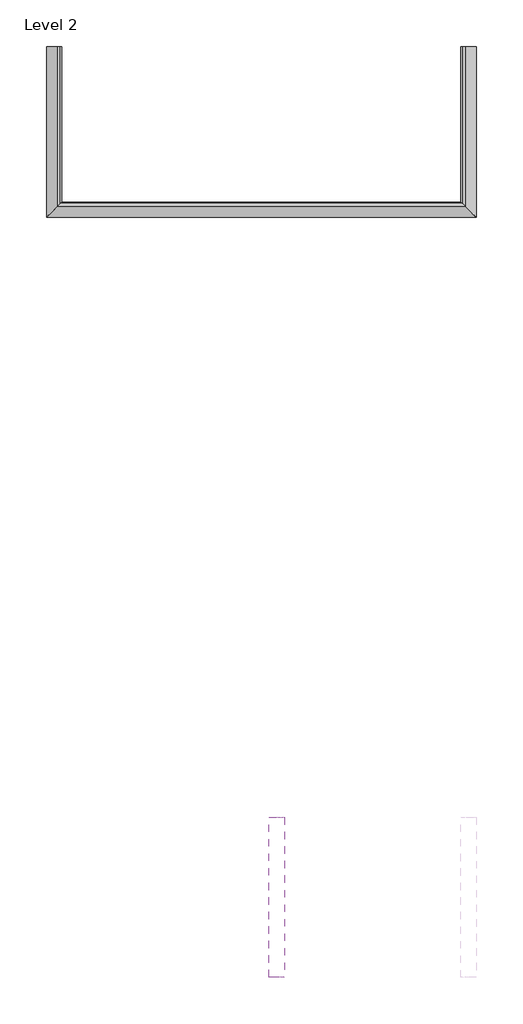
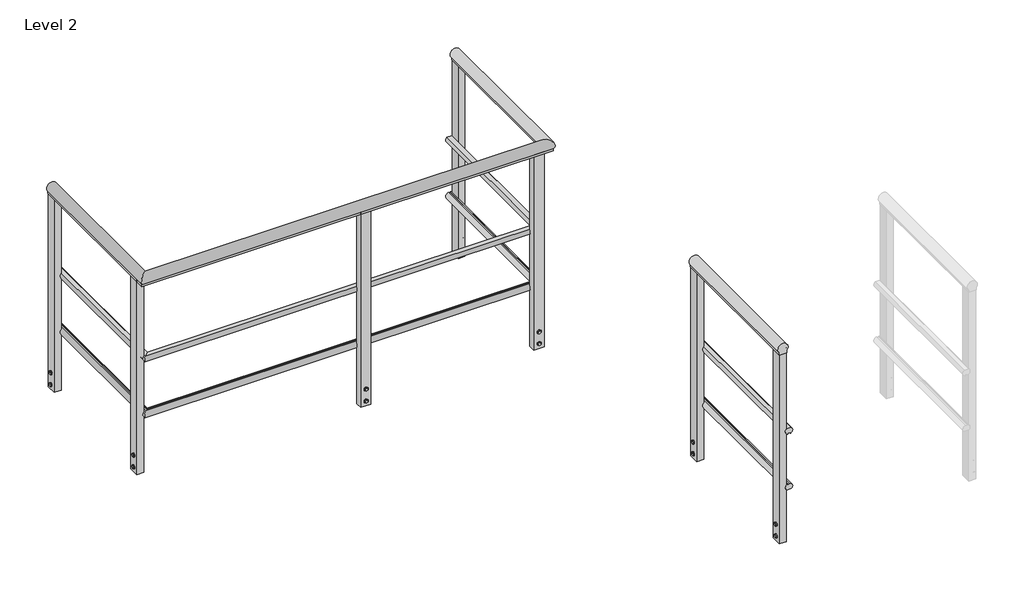
# One storey, part 1 of 7: 2 railings.
"""IFC4 building model written with IfcOpenShell, lengths in millimetres."""

from ifc_helpers import new_model, si_unit, point, frame, frame_2d, origin, place, context, project, spatial, polyline, circle_curve, ellipse_curve, trimmed, segment, composite_curve, outline, extrude, element, save
from ifc_brep_helpers import plane_surface, cylinder_surface, advanced_brep

model = new_model("IFC4")

# Units and contexts
model_context = context("Model", 3, world=origin())
ifc_project = project(units=[si_unit("LENGTHUNIT", "METRE", prefix="MILLI")], contexts=[model_context])

# Site, building, storey
site = spatial("IfcSite", under=ifc_project)
building = spatial("IfcBuilding", under=site)
storey = spatial("IfcBuildingStorey", under=building, Name="Level 2", Elevation=4000.0)

# Railings
placement = place(None, origin())
element("IfcRailing", 1, ObjectType="MT_Common stair with Handrail_Level 3", at=placement, inside=storey, context=model_context, shape_type="SolidModel", body=[
    advanced_brep(
    [(-17568.4412923, -5098.2332568, 5032.5704381), (-17526.7412923, -5098.2332568, 5032.5704381), (-17526.7412923, -5098.2332568, 5019.7647059), (-17568.4412923, -5098.2332568, 5019.7647059), (-17568.4412923, -6008.1730242, 5032.5704381), (-17526.7412923, -5966.4730242, 5032.5704381), (-17526.7412923, -5966.4730242, 5019.7647059), (-17568.4412923, -6008.1730242, 5019.7647059), (-15273.5617574, -6008.1730242, 5032.5704381), (-15315.2617574, -5966.4730242, 5032.5704381), (-15315.2617574, -5966.4730242, 5019.7647059), (-15273.5617574, -6008.1730242, 5019.7647059), (-15273.5617574, -5098.2332568, 5032.5704381), (-15273.5617574, -5098.2332568, 5019.7647059), (-15315.2617574, -5098.2332568, 5019.7647059), (-15315.2617574, -5098.2332568, 5032.5704381)],
    [
        (0, 1, circle_curve(frame((-17547.5912923, -5098.2332568, 5051.7647059), z_axis=(0.0, 1.0, 0.0), x_axis=(1.0, 0.0, 0.0)), 28.3397674)),
        (1, 2),
        (2, 3),
        (3, 0),
        (0, 4),
        (4, 5, ellipse_curve(frame((-17547.5912923, -5987.3230242, 5051.7647059), z_axis=(-0.707106781186546, 0.7071067811865489, 0.0), x_axis=(0.7071067811865488, 0.7071067811865461, 0.0)), 40.0784834, 28.3397674)),
        (5, 1),
        (5, 6),
        (6, 2),
        (6, 7),
        (7, 3),
        (7, 4),
        (4, 8),
        (8, 9, ellipse_curve(frame((-15294.4117574, -5987.3230242, 5051.7647059), z_axis=(-0.7071067811865495, -0.7071067811865455, 0.0), x_axis=(-0.7071067811865456, 0.7071067811865493, 0.0)), 40.0784834, 28.3397674)),
        (9, 5),
        (9, 10),
        (10, 6),
        (10, 11),
        (11, 7),
        (11, 8),
        (12, 13),
        (13, 14),
        (14, 15),
        (15, 12, circle_curve(frame((-15294.4117574, -5098.2332568, 5051.7647059), z_axis=(0.0, 1.0, 0.0), x_axis=(-1.0, 0.0, 0.0)), 28.3397674)),
        (8, 12),
        (15, 9),
        (14, 10),
        (13, 11),
    ],
    [
        plane_surface(frame((-17547.5912923, -5098.2332568, 5019.7647059), z_axis=(0.0, 1.0, 0.0), x_axis=(0.0, 0.0, -1.0))),
        cylinder_surface(frame((-17547.5912923, -5098.2332568, 5051.7647059), z_axis=(0.0, 1.0, 0.0), x_axis=(1.0, 0.0, 0.0)), 28.3397674),
        plane_surface(frame((-17526.7412923, -5098.2332568, 5032.5704381), z_axis=(1.0, 0.0, 0.0), x_axis=(0.0, -1.0, 0.0))),
        plane_surface(frame((-17526.7412923, -5098.2332568, 5019.7647059), z_axis=(0.0, 0.0, -1.0), x_axis=(0.0, -1.0, 0.0))),
        plane_surface(frame((-17568.4412923, -5098.2332568, 5019.7647059), z_axis=(-1.0, 0.0, 0.0), x_axis=(0.0, -1.0, 0.0))),
        cylinder_surface(frame((-17547.5912923, -5987.3230242, 5051.7647059), z_axis=(-1.0, 0.0, 0.0), x_axis=(0.0, 1.0, 0.0)), 28.3397674),
        plane_surface(frame((-17526.7412923, -5966.4730242, 5032.5704381), z_axis=(0.0, 1.0, 0.0), x_axis=(1.0, 0.0, 0.0))),
        plane_surface(frame((-17526.7412923, -5966.4730242, 5019.7647059), z_axis=(0.0, 0.0, -1.0), x_axis=(1.0, 0.0, 0.0))),
        plane_surface(frame((-17568.4412923, -6008.1730242, 5019.7647059), z_axis=(0.0, -1.0, 0.0), x_axis=(1.0, 0.0, 0.0))),
        plane_surface(frame((-15294.4117574, -5098.2332568, 5019.7647059), z_axis=(0.0, 1.0, 0.0), x_axis=(0.0, 0.0, 1.0))),
        cylinder_surface(frame((-15294.4117574, -5987.3230242, 5051.7647059), z_axis=(0.0, -1.0, 0.0), x_axis=(-1.0, 0.0, 0.0)), 28.3397674),
        plane_surface(frame((-15315.2617574, -5966.4730242, 5032.5704381), z_axis=(-1.0, 0.0, 0.0), x_axis=(0.0, 1.0, 0.0))),
        plane_surface(frame((-15315.2617574, -5966.4730242, 5019.7647059), z_axis=(0.0, 0.0, -1.0), x_axis=(0.0, 1.0, 0.0))),
        plane_surface(frame((-15273.5617574, -6008.1730242, 5019.7647059), z_axis=(1.0, 0.0, 0.0), x_axis=(0.0, 1.0, 0.0))),
    ],
    [
        (0, [[1, 2, 3, 4]]),
        (1, [[-1, 5, 6, 7]]),
        (2, [[-2, -7, 8, 9]]),
        (3, [[-3, -9, 10, 11]]),
        (4, [[-4, -11, 12, -5]]),
        (5, [[-6, 13, 14, 15]]),
        (6, [[-8, -15, 16, 17]]),
        (7, [[-10, -17, 18, 19]]),
        (8, [[-12, -19, 20, -13]]),
        (9, [[21, 22, 23, 24]]),
        (10, [[-14, 25, -24, 26]]),
        (11, [[-16, -26, -23, 27]]),
        (12, [[-18, -27, -22, 28]]),
        (13, [[-20, -28, -21, -25]]),
    ],
),
    advanced_brep(
    [(-17508.1751475, -5098.2332568, 4535.8101096), (-17508.1751475, -5098.2332568, 4539.8647059), (-17519.757742, -5098.2332568, 4539.8647059), (-17519.757742, -5098.2332568, 4535.6376007), (-17527.4802814, -5098.2332568, 4569.8647059), (-17501.0227683, -5098.2332568, 4569.8647059), (-17508.1751475, -5947.9068794, 4535.8101096), (-17508.1751475, -5947.9068794, 4539.8647059), (-17519.757742, -5959.489474, 4539.8647059), (-17519.757742, -5959.489474, 4535.6376007), (-17527.4802814, -5967.2120133, 4569.8647059), (-17501.0227683, -5940.7545002, 4569.8647059), (-15333.8279022, -5947.9068794, 4535.8101096), (-15333.8279022, -5947.9068794, 4539.8647059), (-15322.2453076, -5959.489474, 4539.8647059), (-15322.2453076, -5959.489474, 4535.6376007), (-15314.5227683, -5967.2120133, 4569.8647059), (-15340.9802814, -5940.7545002, 4569.8647059), (-15333.8279022, -5098.2332568, 4535.8101096), (-15340.9802814, -5098.2332568, 4569.8647059), (-15314.5227683, -5098.2332568, 4569.8647059), (-15322.2453076, -5098.2332568, 4535.6376007), (-15322.2453076, -5098.2332568, 4539.8647059), (-15333.8279022, -5098.2332568, 4539.8647059)],
    [
        (0, 1),
        (1, 2),
        (2, 3),
        (3, 4, circle_curve(frame((-17514.2515248, -5098.2332568, 4554.8647059), z_axis=(0.0, 1.0, 0.0), x_axis=(0.0, 0.0, 1.0)), 20.0)),
        (4, 5),
        (5, 0, circle_curve(frame((-17514.2515248, -5098.2332568, 4554.8647059), z_axis=(0.0, 1.0, 0.0), x_axis=(0.0, 0.0, 1.0)), 20.0)),
        (0, 6),
        (6, 7),
        (7, 1),
        (7, 8),
        (8, 2),
        (8, 9),
        (9, 3),
        (9, 10, ellipse_curve(frame((-17514.2515248, -5953.9832568, 4554.8647059), z_axis=(-0.707106781186546, 0.7071067811865489, 0.0), x_axis=(0.7071067811865488, 0.7071067811865461, 0.0)), 28.2842712, 20.0)),
        (10, 4),
        (10, 11),
        (11, 5),
        (11, 6, ellipse_curve(frame((-17514.2515248, -5953.9832568, 4554.8647059), z_axis=(-0.707106781186546, 0.7071067811865489, 0.0), x_axis=(0.7071067811865488, 0.7071067811865461, 0.0)), 28.2842712, 20.0)),
        (6, 12),
        (12, 13),
        (13, 7),
        (13, 14),
        (14, 8),
        (14, 15),
        (15, 9),
        (15, 16, ellipse_curve(frame((-15327.7515248, -5953.9832568, 4554.8647059), z_axis=(-0.7071067811865495, -0.7071067811865455, 0.0), x_axis=(-0.7071067811865456, 0.7071067811865493, 0.0)), 28.2842712, 20.0)),
        (16, 10),
        (16, 17),
        (17, 11),
        (17, 12, ellipse_curve(frame((-15327.7515248, -5953.9832568, 4554.8647059), z_axis=(-0.7071067811865495, -0.7071067811865455, 0.0), x_axis=(-0.7071067811865456, 0.7071067811865493, 0.0)), 28.2842712, 20.0)),
        (18, 19, circle_curve(frame((-15327.7515248, -5098.2332568, 4554.8647059), z_axis=(0.0, 1.0, 0.0), x_axis=(0.0, 0.0, 1.0)), 20.0)),
        (19, 20),
        (20, 21, circle_curve(frame((-15327.7515248, -5098.2332568, 4554.8647059), z_axis=(0.0, 1.0, 0.0), x_axis=(0.0, 0.0, 1.0)), 20.0)),
        (21, 22),
        (22, 23),
        (23, 18),
        (12, 18),
        (23, 13),
        (22, 14),
        (21, 15),
        (20, 16),
        (19, 17),
    ],
    [
        plane_surface(frame((-17514.2515248, -5098.2332568, 4554.8647059), z_axis=(0.0, 1.0, 0.0), x_axis=(0.0, 0.0, -1.0))),
        plane_surface(frame((-17508.1751475, -5098.2332568, 4535.8101096), z_axis=(-1.0, 0.0, 0.0), x_axis=(0.0, -1.0, 0.0))),
        plane_surface(frame((-17508.1751475, -5098.2332568, 4539.8647059), z_axis=(0.0, 0.0, -1.0), x_axis=(0.0, -1.0, 0.0))),
        plane_surface(frame((-17519.757742, -5098.2332568, 4539.8647059), z_axis=(1.0, 0.0, 0.0), x_axis=(0.0, -1.0, 0.0))),
        cylinder_surface(frame((-17514.2515248, -5098.2332568, 4554.8647059), z_axis=(0.0, 1.0, 0.0), x_axis=(0.0, 0.0, 1.0)), 20.0),
        plane_surface(frame((-17527.4802814, -5098.2332568, 4569.8647059), z_axis=(0.0, 0.0, 1.0), x_axis=(0.0, -1.0, 0.0))),
        plane_surface(frame((-17508.1751475, -5947.9068794, 4535.8101096), z_axis=(0.0, -1.0, 0.0), x_axis=(1.0, 0.0, 0.0))),
        plane_surface(frame((-17508.1751475, -5947.9068794, 4539.8647059), z_axis=(0.0, 0.0, -1.0), x_axis=(1.0, 0.0, 0.0))),
        plane_surface(frame((-17519.757742, -5959.489474, 4539.8647059), z_axis=(0.0, 1.0, 0.0), x_axis=(1.0, 0.0, 0.0))),
        cylinder_surface(frame((-17514.2515248, -5953.9832568, 4554.8647059), z_axis=(-1.0, 0.0, 0.0), x_axis=(0.0, 0.0, 1.0)), 20.0),
        plane_surface(frame((-17527.4802814, -5967.2120133, 4569.8647059), z_axis=(0.0, 0.0, 1.0), x_axis=(1.0, 0.0, 0.0))),
        plane_surface(frame((-15327.7515248, -5098.2332568, 4554.8647059), z_axis=(0.0, 1.0, 0.0), x_axis=(0.0, 0.0, 1.0))),
        plane_surface(frame((-15333.8279022, -5947.9068794, 4535.8101096), z_axis=(1.0, 0.0, 0.0), x_axis=(0.0, 1.0, 0.0))),
        plane_surface(frame((-15333.8279022, -5947.9068794, 4539.8647059), z_axis=(0.0, 0.0, -1.0), x_axis=(0.0, 1.0, 0.0))),
        plane_surface(frame((-15322.2453076, -5959.489474, 4539.8647059), z_axis=(-1.0, 0.0, 0.0), x_axis=(0.0, 1.0, 0.0))),
        cylinder_surface(frame((-15327.7515248, -5953.9832568, 4554.8647059), z_axis=(0.0, -1.0, 0.0), x_axis=(0.0, 0.0, 1.0)), 20.0),
        plane_surface(frame((-15314.5227683, -5967.2120133, 4569.8647059), z_axis=(0.0, 0.0, 1.0), x_axis=(0.0, 1.0, 0.0))),
    ],
    [
        (0, [[1, 2, 3, 4, 5, 6]]),
        (1, [[-1, 7, 8, 9]]),
        (2, [[-2, -9, 10, 11]]),
        (3, [[-3, -11, 12, 13]]),
        (4, [[-4, -13, 14, 15]]),
        (5, [[-5, -15, 16, 17]]),
        (4, [[-6, -17, 18, -7]]),
        (6, [[-8, 19, 20, 21]]),
        (7, [[-10, -21, 22, 23]]),
        (8, [[-12, -23, 24, 25]]),
        (9, [[-14, -25, 26, 27]]),
        (10, [[-16, -27, 28, 29]]),
        (9, [[-18, -29, 30, -19]]),
        (11, [[31, 32, 33, 34, 35, 36]]),
        (12, [[-20, 37, -36, 38]]),
        (13, [[-22, -38, -35, 39]]),
        (14, [[-24, -39, -34, 40]]),
        (15, [[-26, -40, -33, 41]]),
        (16, [[-28, -41, -32, 42]]),
        (15, [[-30, -42, -31, -37]]),
    ],
),
    advanced_brep(
    [(-17520.3279022, -5098.2332568, 4242.8193021), (-17520.3279022, -5098.2332568, 4238.7647059), (-17508.7453076, -5098.2332568, 4238.7647059), (-17508.7453076, -5098.2332568, 4242.991811), (-17501.0227683, -5098.2332568, 4208.7647059), (-17527.4802814, -5098.2332568, 4208.7647059), (-17520.3279022, -5960.0596342, 4242.8193021), (-17520.3279022, -5960.0596342, 4238.7647059), (-17508.7453076, -5948.4770396, 4238.7647059), (-17508.7453076, -5948.4770396, 4242.991811), (-17501.0227683, -5940.7545002, 4208.7647059), (-17527.4802814, -5967.2120133, 4208.7647059), (-15321.6751475, -5960.0596342, 4242.8193021), (-15321.6751475, -5960.0596342, 4238.7647059), (-15333.257742, -5948.4770396, 4238.7647059), (-15333.257742, -5948.4770396, 4242.991811), (-15340.9802814, -5940.7545002, 4208.7647059), (-15314.5227683, -5967.2120133, 4208.7647059), (-15321.6751475, -5098.2332568, 4242.8193021), (-15314.5227683, -5098.2332568, 4208.7647059), (-15340.9802814, -5098.2332568, 4208.7647059), (-15333.257742, -5098.2332568, 4242.991811), (-15333.257742, -5098.2332568, 4238.7647059), (-15321.6751475, -5098.2332568, 4238.7647059)],
    [
        (0, 1),
        (1, 2),
        (2, 3),
        (3, 4, circle_curve(frame((-17514.2515248, -5098.2332568, 4223.7647059), z_axis=(0.0, 1.0, 0.0), x_axis=(0.0, 0.0, -1.0)), 20.0)),
        (4, 5),
        (5, 0, circle_curve(frame((-17514.2515248, -5098.2332568, 4223.7647059), z_axis=(0.0, 1.0, 0.0), x_axis=(0.0, 0.0, -1.0)), 20.0)),
        (0, 6),
        (6, 7),
        (7, 1),
        (7, 8),
        (8, 2),
        (8, 9),
        (9, 3),
        (9, 10, ellipse_curve(frame((-17514.2515248, -5953.9832568, 4223.7647059), z_axis=(-0.707106781186546, 0.7071067811865489, 0.0), x_axis=(0.7071067811865488, 0.7071067811865461, 0.0)), 28.2842712, 20.0)),
        (10, 4),
        (10, 11),
        (11, 5),
        (11, 6, ellipse_curve(frame((-17514.2515248, -5953.9832568, 4223.7647059), z_axis=(-0.707106781186546, 0.7071067811865489, 0.0), x_axis=(0.7071067811865488, 0.7071067811865461, 0.0)), 28.2842712, 20.0)),
        (6, 12),
        (12, 13),
        (13, 7),
        (13, 14),
        (14, 8),
        (14, 15),
        (15, 9),
        (15, 16, ellipse_curve(frame((-15327.7515248, -5953.9832568, 4223.7647059), z_axis=(-0.7071067811865495, -0.7071067811865455, 0.0), x_axis=(-0.7071067811865456, 0.7071067811865493, 0.0)), 28.2842712, 20.0)),
        (16, 10),
        (16, 17),
        (17, 11),
        (17, 12, ellipse_curve(frame((-15327.7515248, -5953.9832568, 4223.7647059), z_axis=(-0.7071067811865495, -0.7071067811865455, 0.0), x_axis=(-0.7071067811865456, 0.7071067811865493, 0.0)), 28.2842712, 20.0)),
        (18, 19, circle_curve(frame((-15327.7515248, -5098.2332568, 4223.7647059), z_axis=(0.0, 1.0, 0.0), x_axis=(0.0, 0.0, -1.0)), 20.0)),
        (19, 20),
        (20, 21, circle_curve(frame((-15327.7515248, -5098.2332568, 4223.7647059), z_axis=(0.0, 1.0, 0.0), x_axis=(0.0, 0.0, -1.0)), 20.0)),
        (21, 22),
        (22, 23),
        (23, 18),
        (12, 18),
        (23, 13),
        (22, 14),
        (21, 15),
        (20, 16),
        (19, 17),
    ],
    [
        plane_surface(frame((-17514.2515248, -5098.2332568, 4223.7647059), z_axis=(0.0, 1.0, 0.0), x_axis=(0.0, 0.0, -1.0))),
        plane_surface(frame((-17520.3279022, -5098.2332568, 4242.8193021), z_axis=(1.0, 0.0, 0.0), x_axis=(0.0, -1.0, 0.0))),
        plane_surface(frame((-17520.3279022, -5098.2332568, 4238.7647059), z_axis=(0.0, 0.0, 1.0), x_axis=(0.0, -1.0, 0.0))),
        plane_surface(frame((-17508.7453076, -5098.2332568, 4238.7647059), z_axis=(-1.0, 0.0, 0.0), x_axis=(0.0, -1.0, 0.0))),
        cylinder_surface(frame((-17514.2515248, -5098.2332568, 4223.7647059), z_axis=(0.0, 1.0, 0.0), x_axis=(0.0, 0.0, -1.0)), 20.0),
        plane_surface(frame((-17501.0227683, -5098.2332568, 4208.7647059), z_axis=(0.0, 0.0, -1.0), x_axis=(0.0, -1.0, 0.0))),
        plane_surface(frame((-17520.3279022, -5960.0596342, 4242.8193021), z_axis=(0.0, 1.0, 0.0), x_axis=(1.0, 0.0, 0.0))),
        plane_surface(frame((-17520.3279022, -5960.0596342, 4238.7647059), z_axis=(0.0, 0.0, 1.0), x_axis=(1.0, 0.0, 0.0))),
        plane_surface(frame((-17508.7453076, -5948.4770396, 4238.7647059), z_axis=(0.0, -1.0, 0.0), x_axis=(1.0, 0.0, 0.0))),
        cylinder_surface(frame((-17514.2515248, -5953.9832568, 4223.7647059), z_axis=(-1.0, 0.0, 0.0), x_axis=(0.0, 0.0, -1.0)), 20.0),
        plane_surface(frame((-17501.0227683, -5940.7545002, 4208.7647059), z_axis=(0.0, 0.0, -1.0), x_axis=(1.0, 0.0, 0.0))),
        plane_surface(frame((-15327.7515248, -5098.2332568, 4223.7647059), z_axis=(0.0, 1.0, 0.0), x_axis=(0.0, 0.0, 1.0))),
        plane_surface(frame((-15321.6751475, -5960.0596342, 4242.8193021), z_axis=(-1.0, 0.0, 0.0), x_axis=(0.0, 1.0, 0.0))),
        plane_surface(frame((-15321.6751475, -5960.0596342, 4238.7647059), z_axis=(0.0, 0.0, 1.0), x_axis=(0.0, 1.0, 0.0))),
        plane_surface(frame((-15333.257742, -5948.4770396, 4238.7647059), z_axis=(1.0, 0.0, 0.0), x_axis=(0.0, 1.0, 0.0))),
        cylinder_surface(frame((-15327.7515248, -5953.9832568, 4223.7647059), z_axis=(0.0, -1.0, 0.0), x_axis=(0.0, 0.0, -1.0)), 20.0),
        plane_surface(frame((-15340.9802814, -5940.7545002, 4208.7647059), z_axis=(0.0, 0.0, -1.0), x_axis=(0.0, 1.0, 0.0))),
    ],
    [
        (0, [[1, 2, 3, 4, 5, 6]]),
        (1, [[-1, 7, 8, 9]]),
        (2, [[-2, -9, 10, 11]]),
        (3, [[-3, -11, 12, 13]]),
        (4, [[-4, -13, 14, 15]]),
        (5, [[-5, -15, 16, 17]]),
        (4, [[-6, -17, 18, -7]]),
        (6, [[-8, 19, 20, 21]]),
        (7, [[-10, -21, 22, 23]]),
        (8, [[-12, -23, 24, 25]]),
        (9, [[-14, -25, 26, 27]]),
        (10, [[-16, -27, 28, 29]]),
        (9, [[-18, -29, 30, -19]]),
        (11, [[31, 32, 33, 34, 35, 36]]),
        (12, [[-20, 37, -36, 38]]),
        (13, [[-22, -38, -35, 39]]),
        (14, [[-24, -39, -34, 40]]),
        (15, [[-26, -40, -33, 41]]),
        (16, [[-28, -41, -32, 42]]),
        (15, [[-30, -42, -31, -37]]),
    ],
),
    extrude(outline(composite_curve([segment(trimmed(circle_curve(frame_2d((3980.0647059, -16319.2515248)), 8.0), [point((3980.0647059, -16327.2515248))], [point((3980.0647059, -16311.2515248))], False, "CARTESIAN"), True, "CONTINUOUS"), segment(trimmed(circle_curve(frame_2d((3980.0647059, -16319.2515248)), 8.0), [point((3980.0647059, -16311.2515248))], [point((3980.0647059, -16327.2515248))], False, "CARTESIAN"), True, "CONTINUOUS")], self_intersect=False)), frame((0.0, -6014.4332568, 0.0), z_axis=(0.0, 1.0, 0.0), x_axis=(0.0, 0.0, 1.0)), (0.0, 0.0, 1.0), 7.0),
    extrude(outline(composite_curve([segment(trimmed(circle_curve(frame_2d((3910.0647059, -16319.2515248)), 8.0), [point((3910.0647059, -16327.2515248))], [point((3910.0647059, -16311.2515248))], False, "CARTESIAN"), True, "CONTINUOUS"), segment(trimmed(circle_curve(frame_2d((3910.0647059, -16319.2515248)), 8.0), [point((3910.0647059, -16311.2515248))], [point((3910.0647059, -16327.2515248))], False, "CARTESIAN"), True, "CONTINUOUS")], self_intersect=False)), frame((0.0, -6014.4332568, 0.0), z_axis=(0.0, 1.0, 0.0), x_axis=(0.0, 0.0, 1.0)), (0.0, 0.0, 1.0), 7.0),
    extrude(outline(polyline([(3921.6117113, -16319.2515248), (3915.8382086, -16329.2515248), (3904.2912032, -16329.2515248), (3898.5177005, -16319.2515248), (3904.2912032, -16309.2515248), (3915.8382086, -16309.2515248), (3921.6117113, -16319.2515248)])), frame((0.0, -6012.4332568, 0.0), z_axis=(0.0, 1.0, 0.0), x_axis=(0.0, 0.0, 1.0)), (0.0, 0.0, 1.0), 5.0),
    extrude(outline(polyline([(3985.8382086, -16329.2515248), (3974.2912032, -16329.2515248), (3968.5177005, -16319.2515248), (3974.2912032, -16309.2515248), (3985.8382086, -16309.2515248), (3991.6117113, -16319.2515248), (3985.8382086, -16329.2515248)])), frame((0.0, -6012.4332568, 0.0), z_axis=(0.0, 1.0, 0.0), x_axis=(0.0, 0.0, 1.0)), (0.0, 0.0, 1.0), 5.0),
    extrude(outline(polyline([(-16348.2515248, -6007.4332568), (-16348.2515248, -5968.9332568), (-16290.2515248, -5968.9332568), (-16290.2515248, -6007.4332568), (-16348.2515248, -6007.4332568)])), frame((0.0, 0.0, 3880.0647059), z_axis=(0.0, 0.0, 1.0), x_axis=(1.0, 0.0, 0.0)), (0.0, 0.0, 1.0), 1169.7),
    extrude(outline(composite_curve([segment(trimmed(circle_curve(frame_2d((3980.0647059, -15352.7515248)), 8.0), [point((3980.0647059, -15360.7515248))], [point((3980.0647059, -15344.7515248))], False, "CARTESIAN"), True, "CONTINUOUS"), segment(trimmed(circle_curve(frame_2d((3980.0647059, -15352.7515248)), 8.0), [point((3980.0647059, -15344.7515248))], [point((3980.0647059, -15360.7515248))], False, "CARTESIAN"), True, "CONTINUOUS")], self_intersect=False)), frame((0.0, -6014.4332568, 0.0), z_axis=(0.0, 1.0, 0.0), x_axis=(0.0, 0.0, 1.0)), (0.0, 0.0, 1.0), 7.0),
    extrude(outline(composite_curve([segment(trimmed(circle_curve(frame_2d((3910.0647059, -15352.7515248)), 8.0), [point((3910.0647059, -15360.7515248))], [point((3910.0647059, -15344.7515248))], False, "CARTESIAN"), True, "CONTINUOUS"), segment(trimmed(circle_curve(frame_2d((3910.0647059, -15352.7515248)), 8.0), [point((3910.0647059, -15344.7515248))], [point((3910.0647059, -15360.7515248))], False, "CARTESIAN"), True, "CONTINUOUS")], self_intersect=False)), frame((0.0, -6014.4332568, 0.0), z_axis=(0.0, 1.0, 0.0), x_axis=(0.0, 0.0, 1.0)), (0.0, 0.0, 1.0), 7.0),
    extrude(outline(polyline([(3921.6117113, -15352.7515248), (3915.8382086, -15362.7515248), (3904.2912032, -15362.7515248), (3898.5177005, -15352.7515248), (3904.2912032, -15342.7515248), (3915.8382086, -15342.7515248), (3921.6117113, -15352.7515248)])), frame((0.0, -6012.4332568, 0.0), z_axis=(0.0, 1.0, 0.0), x_axis=(0.0, 0.0, 1.0)), (0.0, 0.0, 1.0), 5.0),
    extrude(outline(polyline([(3985.8382086, -15362.7515248), (3974.2912032, -15362.7515248), (3968.5177005, -15352.7515248), (3974.2912032, -15342.7515248), (3985.8382086, -15342.7515248), (3991.6117113, -15352.7515248), (3985.8382086, -15362.7515248)])), frame((0.0, -6012.4332568, 0.0), z_axis=(0.0, 1.0, 0.0), x_axis=(0.0, 0.0, 1.0)), (0.0, 0.0, 1.0), 5.0),
    extrude(outline(polyline([(-15381.7515248, -6007.4332568), (-15381.7515248, -5968.9332568), (-15323.7515248, -5968.9332568), (-15323.7515248, -6007.4332568), (-15381.7515248, -6007.4332568)])), frame((0.0, 0.0, 3880.0647059), z_axis=(0.0, 0.0, 1.0), x_axis=(1.0, 0.0, 0.0)), (0.0, 0.0, 1.0), 1169.7),
    extrude(outline(composite_curve([segment(trimmed(circle_curve(frame_2d((-5928.9832568, 3980.0647059)), 8.0), [point((-5920.9832568, 3980.0647059))], [point((-5936.9832568, 3980.0647059))], False, "CARTESIAN"), True, "CONTINUOUS"), segment(trimmed(circle_curve(frame_2d((-5928.9832568, 3980.0647059)), 8.0), [point((-5936.9832568, 3980.0647059))], [point((-5920.9832568, 3980.0647059))], False, "CARTESIAN"), True, "CONTINUOUS")], self_intersect=False)), frame((-17574.7015248, 0.0, 0.0), z_axis=(1.0, 0.0, 0.0), x_axis=(0.0, 1.0, 0.0)), (0.0, 0.0, 1.0), 7.0),
    extrude(outline(composite_curve([segment(trimmed(circle_curve(frame_2d((-5928.9832568, 3910.0647059)), 8.0), [point((-5920.9832568, 3910.0647059))], [point((-5936.9832568, 3910.0647059))], False, "CARTESIAN"), True, "CONTINUOUS"), segment(trimmed(circle_curve(frame_2d((-5928.9832568, 3910.0647059)), 8.0), [point((-5936.9832568, 3910.0647059))], [point((-5920.9832568, 3910.0647059))], False, "CARTESIAN"), True, "CONTINUOUS")], self_intersect=False)), frame((-17574.7015248, 0.0, 0.0), z_axis=(1.0, 0.0, 0.0), x_axis=(0.0, 1.0, 0.0)), (0.0, 0.0, 1.0), 7.0),
    extrude(outline(polyline([(-5928.9832568, 3921.6117113), (-5918.9832568, 3915.8382086), (-5918.9832568, 3904.2912032), (-5928.9832568, 3898.5177005), (-5938.9832568, 3904.2912032), (-5938.9832568, 3915.8382086), (-5928.9832568, 3921.6117113)])), frame((-17572.7015248, 0.0, 0.0), z_axis=(1.0, 0.0, 0.0), x_axis=(0.0, 1.0, 0.0)), (0.0, 0.0, 1.0), 5.0),
    extrude(outline(polyline([(-5918.9832568, 3985.8382086), (-5918.9832568, 3974.2912032), (-5928.9832568, 3968.5177005), (-5938.9832568, 3974.2912032), (-5938.9832568, 3985.8382086), (-5928.9832568, 3991.6117113), (-5918.9832568, 3985.8382086)])), frame((-17572.7015248, 0.0, 0.0), z_axis=(1.0, 0.0, 0.0), x_axis=(0.0, 1.0, 0.0)), (0.0, 0.0, 1.0), 5.0),
    extrude(outline(polyline([(-17567.7015248, -5899.9832568), (-17529.2015248, -5899.9832568), (-17529.2015248, -5957.9832568), (-17567.7015248, -5957.9832568), (-17567.7015248, -5899.9832568)])), frame((0.0, 0.0, 3880.0647059), z_axis=(0.0, 0.0, 1.0), x_axis=(1.0, 0.0, 0.0)), (0.0, 0.0, 1.0), 1169.7),
    extrude(outline(composite_curve([segment(trimmed(circle_curve(frame_2d((-5128.2332568, 3980.0647059)), 8.0), [point((-5136.2332568, 3980.0647059))], [point((-5120.2332568, 3980.0647059))], False, "CARTESIAN"), True, "CONTINUOUS"), segment(trimmed(circle_curve(frame_2d((-5128.2332568, 3980.0647059)), 8.0), [point((-5120.2332568, 3980.0647059))], [point((-5136.2332568, 3980.0647059))], False, "CARTESIAN"), True, "CONTINUOUS")], self_intersect=False)), frame((-15274.3015248, 0.0, 0.0), z_axis=(1.0, 0.0, 0.0), x_axis=(0.0, 1.0, 0.0)), (0.0, 0.0, 1.0), 7.0),
    extrude(outline(composite_curve([segment(trimmed(circle_curve(frame_2d((-5128.2332568, 3910.0647059)), 8.0), [point((-5136.2332568, 3910.0647059))], [point((-5120.2332568, 3910.0647059))], False, "CARTESIAN"), True, "CONTINUOUS"), segment(trimmed(circle_curve(frame_2d((-5128.2332568, 3910.0647059)), 8.0), [point((-5120.2332568, 3910.0647059))], [point((-5136.2332568, 3910.0647059))], False, "CARTESIAN"), True, "CONTINUOUS")], self_intersect=False)), frame((-15274.3015248, 0.0, 0.0), z_axis=(1.0, 0.0, 0.0), x_axis=(0.0, 1.0, 0.0)), (0.0, 0.0, 1.0), 7.0),
    extrude(outline(polyline([(-5128.2332568, 3921.6117113), (-5118.2332568, 3915.8382086), (-5118.2332568, 3904.2912032), (-5128.2332568, 3898.5177005), (-5138.2332568, 3904.2912032), (-5138.2332568, 3915.8382086), (-5128.2332568, 3921.6117113)])), frame((-15274.3015248, 0.0, 0.0), z_axis=(1.0, 0.0, 0.0), x_axis=(0.0, 1.0, 0.0)), (0.0, 0.0, 1.0), 5.0),
    extrude(outline(polyline([(-5138.2332568, 3985.8382086), (-5128.2332568, 3991.6117113), (-5118.2332568, 3985.8382086), (-5118.2332568, 3974.2912032), (-5128.2332568, 3968.5177005), (-5138.2332568, 3974.2912032), (-5138.2332568, 3985.8382086)])), frame((-15274.3015248, 0.0, 0.0), z_axis=(1.0, 0.0, 0.0), x_axis=(0.0, 1.0, 0.0)), (0.0, 0.0, 1.0), 5.0),
    extrude(outline(polyline([(-15274.3015248, -5157.2332568), (-15312.8015248, -5157.2332568), (-15312.8015248, -5099.2332568), (-15274.3015248, -5099.2332568), (-15274.3015248, -5157.2332568)])), frame((0.0, 0.0, 3880.0647059), z_axis=(0.0, 0.0, 1.0), x_axis=(1.0, 0.0, 0.0)), (0.0, 0.0, 1.0), 1169.7),
    extrude(outline(composite_curve([segment(trimmed(circle_curve(frame_2d((-5128.2332568, 3980.0647059)), 8.0), [point((-5120.2332568, 3980.0647059))], [point((-5136.2332568, 3980.0647059))], False, "CARTESIAN"), True, "CONTINUOUS"), segment(trimmed(circle_curve(frame_2d((-5128.2332568, 3980.0647059)), 8.0), [point((-5136.2332568, 3980.0647059))], [point((-5120.2332568, 3980.0647059))], False, "CARTESIAN"), True, "CONTINUOUS")], self_intersect=False)), frame((-17574.7015248, 0.0, 0.0), z_axis=(1.0, 0.0, 0.0), x_axis=(0.0, 1.0, 0.0)), (0.0, 0.0, 1.0), 7.0),
    extrude(outline(composite_curve([segment(trimmed(circle_curve(frame_2d((-5128.2332568, 3910.0647059)), 8.0), [point((-5120.2332568, 3910.0647059))], [point((-5136.2332568, 3910.0647059))], False, "CARTESIAN"), True, "CONTINUOUS"), segment(trimmed(circle_curve(frame_2d((-5128.2332568, 3910.0647059)), 8.0), [point((-5136.2332568, 3910.0647059))], [point((-5120.2332568, 3910.0647059))], False, "CARTESIAN"), True, "CONTINUOUS")], self_intersect=False)), frame((-17574.7015248, 0.0, 0.0), z_axis=(1.0, 0.0, 0.0), x_axis=(0.0, 1.0, 0.0)), (0.0, 0.0, 1.0), 7.0),
    extrude(outline(polyline([(-5128.2332568, 3921.6117113), (-5118.2332568, 3915.8382086), (-5118.2332568, 3904.2912032), (-5128.2332568, 3898.5177005), (-5138.2332568, 3904.2912032), (-5138.2332568, 3915.8382086), (-5128.2332568, 3921.6117113)])), frame((-17572.7015248, 0.0, 0.0), z_axis=(1.0, 0.0, 0.0), x_axis=(0.0, 1.0, 0.0)), (0.0, 0.0, 1.0), 5.0),
    extrude(outline(polyline([(-5118.2332568, 3985.8382086), (-5118.2332568, 3974.2912032), (-5128.2332568, 3968.5177005), (-5138.2332568, 3974.2912032), (-5138.2332568, 3985.8382086), (-5128.2332568, 3991.6117113), (-5118.2332568, 3985.8382086)])), frame((-17572.7015248, 0.0, 0.0), z_axis=(1.0, 0.0, 0.0), x_axis=(0.0, 1.0, 0.0)), (0.0, 0.0, 1.0), 5.0),
    extrude(outline(polyline([(-17567.7015248, -5099.2332568), (-17529.2015248, -5099.2332568), (-17529.2015248, -5157.2332568), (-17567.7015248, -5157.2332568), (-17567.7015248, -5099.2332568)])), frame((0.0, 0.0, 3880.0647059), z_axis=(0.0, 0.0, 1.0), x_axis=(1.0, 0.0, 0.0)), (0.0, 0.0, 1.0), 1169.7),
])
element("IfcRailing", 2, ObjectType="MT_Common stair with Handrail_Level 4", at=placement, inside=storey, context=model_context, shape_type="SweptSolid", body=[
    extrude(outline(composite_curve([segment(trimmed(circle_curve(frame_2d((6710.0, -16351.0912923)), 28.3397674), [point((6690.8057322, -16330.2412923))], [point((6690.8057322, -16371.9412923))], False, "CARTESIAN"), True, "CONTINUOUS"), segment(polyline([(6690.8057322, -16371.9412923), (6678.0, -16371.9412923), (6678.0, -16330.2412923), (6690.8057322, -16330.2412923)]), True, "CONTINUOUS")], self_intersect=False)), frame((0.0, -10097.2332568, 0.0), z_axis=(0.0, 1.0, 0.0), x_axis=(0.0, 0.0, 1.0)), (0.0, 0.0, 1.0), 859.0),
    extrude(outline(composite_curve([segment(trimmed(circle_curve(frame_2d((6213.1, -16317.7515248)), 20.0), [point((6194.0454038, -16311.6751475))], [point((6228.1, -16304.5227683))], False, "CARTESIAN"), True, "CONTINUOUS"), segment(polyline([(6228.1, -16304.5227683), (6228.1, -16330.9802814)]), True, "CONTINUOUS"), segment(trimmed(circle_curve(frame_2d((6213.1, -16317.7515248)), 20.0), [point((6228.1, -16330.9802814))], [point((6193.8728949, -16323.257742))], False, "CARTESIAN"), True, "CONTINUOUS"), segment(polyline([(6193.8728949, -16323.257742), (6198.1, -16323.257742), (6198.1, -16311.6751475), (6194.0454038, -16311.6751475)]), True, "CONTINUOUS")], self_intersect=False)), frame((0.0, -10097.2332568, 0.0), z_axis=(0.0, 1.0, 0.0), x_axis=(0.0, 0.0, 1.0)), (0.0, 0.0, 1.0), 859.0),
    extrude(outline(composite_curve([segment(trimmed(circle_curve(frame_2d((5882.0, -16317.7515248)), 20.0), [point((5901.0545962, -16323.8279022))], [point((5867.0, -16330.9802814))], False, "CARTESIAN"), True, "CONTINUOUS"), segment(polyline([(5867.0, -16330.9802814), (5867.0, -16304.5227683)]), True, "CONTINUOUS"), segment(trimmed(circle_curve(frame_2d((5882.0, -16317.7515248)), 20.0), [point((5867.0, -16304.5227683))], [point((5901.2271051, -16312.2453076))], False, "CARTESIAN"), True, "CONTINUOUS"), segment(polyline([(5901.2271051, -16312.2453076), (5897.0, -16312.2453076), (5897.0, -16323.8279022), (5901.0545962, -16323.8279022)]), True, "CONTINUOUS")], self_intersect=False)), frame((0.0, -10097.2332568, 0.0), z_axis=(0.0, 1.0, 0.0), x_axis=(0.0, 0.0, 1.0)), (0.0, 0.0, 1.0), 859.0),
    extrude(outline(composite_curve([segment(trimmed(circle_curve(frame_2d((-9268.2332568, 5663.1)), 8.0), [point((-9276.2332568, 5663.1))], [point((-9260.2332568, 5663.1))], False, "CARTESIAN"), True, "CONTINUOUS"), segment(trimmed(circle_curve(frame_2d((-9268.2332568, 5663.1)), 8.0), [point((-9260.2332568, 5663.1))], [point((-9276.2332568, 5663.1))], False, "CARTESIAN"), True, "CONTINUOUS")], self_intersect=False)), frame((-16378.2015248, 0.0, 0.0), z_axis=(1.0, 0.0, 0.0), x_axis=(0.0, 1.0, 0.0)), (0.0, 0.0, 1.0), 7.0),
    extrude(outline(composite_curve([segment(trimmed(circle_curve(frame_2d((-9268.2332568, 5593.1)), 8.0), [point((-9276.2332568, 5593.1))], [point((-9260.2332568, 5593.1))], False, "CARTESIAN"), True, "CONTINUOUS"), segment(trimmed(circle_curve(frame_2d((-9268.2332568, 5593.1)), 8.0), [point((-9260.2332568, 5593.1))], [point((-9276.2332568, 5593.1))], False, "CARTESIAN"), True, "CONTINUOUS")], self_intersect=False)), frame((-16378.2015248, 0.0, 0.0), z_axis=(1.0, 0.0, 0.0), x_axis=(0.0, 1.0, 0.0)), (0.0, 0.0, 1.0), 7.0),
    extrude(outline(polyline([(-9268.2332568, 5604.6470054), (-9258.2332568, 5598.8735027), (-9258.2332568, 5587.3264973), (-9268.2332568, 5581.5529946), (-9278.2332568, 5587.3264973), (-9278.2332568, 5598.8735027), (-9268.2332568, 5604.6470054)])), frame((-16376.2015248, 0.0, 0.0), z_axis=(1.0, 0.0, 0.0), x_axis=(0.0, 1.0, 0.0)), (0.0, 0.0, 1.0), 5.0),
    extrude(outline(polyline([(-9278.2332568, 5668.8735027), (-9268.2332568, 5674.6470054), (-9258.2332568, 5668.8735027), (-9258.2332568, 5657.3264973), (-9268.2332568, 5651.5529946), (-9278.2332568, 5657.3264973), (-9278.2332568, 5668.8735027)])), frame((-16376.2015248, 0.0, 0.0), z_axis=(1.0, 0.0, 0.0), x_axis=(0.0, 1.0, 0.0)), (0.0, 0.0, 1.0), 5.0),
    extrude(outline(polyline([(-16371.2015248, -9297.2332568), (-16371.2015248, -9239.2332568), (-16332.7015248, -9239.2332568), (-16332.7015248, -9297.2332568), (-16371.2015248, -9297.2332568)])), frame((0.0, 0.0, 5563.1), z_axis=(0.0, 0.0, 1.0), x_axis=(1.0, 0.0, 0.0)), (0.0, 0.0, 1.0), 1144.9),
    extrude(outline(composite_curve([segment(trimmed(circle_curve(frame_2d((-10067.2332568, 5663.1)), 8.0), [point((-10075.2332568, 5663.1))], [point((-10059.2332568, 5663.1))], False, "CARTESIAN"), True, "CONTINUOUS"), segment(trimmed(circle_curve(frame_2d((-10067.2332568, 5663.1)), 8.0), [point((-10059.2332568, 5663.1))], [point((-10075.2332568, 5663.1))], False, "CARTESIAN"), True, "CONTINUOUS")], self_intersect=False)), frame((-16378.2015248, 0.0, 0.0), z_axis=(1.0, 0.0, 0.0), x_axis=(0.0, 1.0, 0.0)), (0.0, 0.0, 1.0), 7.0),
    extrude(outline(composite_curve([segment(trimmed(circle_curve(frame_2d((-10067.2332568, 5593.1)), 8.0), [point((-10075.2332568, 5593.1))], [point((-10059.2332568, 5593.1))], False, "CARTESIAN"), True, "CONTINUOUS"), segment(trimmed(circle_curve(frame_2d((-10067.2332568, 5593.1)), 8.0), [point((-10059.2332568, 5593.1))], [point((-10075.2332568, 5593.1))], False, "CARTESIAN"), True, "CONTINUOUS")], self_intersect=False)), frame((-16378.2015248, 0.0, 0.0), z_axis=(1.0, 0.0, 0.0), x_axis=(0.0, 1.0, 0.0)), (0.0, 0.0, 1.0), 7.0),
    extrude(outline(polyline([(-10067.2332568, 5604.6470054), (-10057.2332568, 5598.8735027), (-10057.2332568, 5587.3264973), (-10067.2332568, 5581.5529946), (-10077.2332568, 5587.3264973), (-10077.2332568, 5598.8735027), (-10067.2332568, 5604.6470054)])), frame((-16376.2015248, 0.0, 0.0), z_axis=(1.0, 0.0, 0.0), x_axis=(0.0, 1.0, 0.0)), (0.0, 0.0, 1.0), 5.0),
    extrude(outline(polyline([(-10077.2332568, 5668.8735027), (-10067.2332568, 5674.6470054), (-10057.2332568, 5668.8735027), (-10057.2332568, 5657.3264973), (-10067.2332568, 5651.5529946), (-10077.2332568, 5657.3264973), (-10077.2332568, 5668.8735027)])), frame((-16376.2015248, 0.0, 0.0), z_axis=(1.0, 0.0, 0.0), x_axis=(0.0, 1.0, 0.0)), (0.0, 0.0, 1.0), 5.0),
    extrude(outline(polyline([(-16371.2015248, -10096.2332568), (-16371.2015248, -10038.2332568), (-16332.7015248, -10038.2332568), (-16332.7015248, -10096.2332568), (-16371.2015248, -10096.2332568)])), frame((0.0, 0.0, 5563.1), z_axis=(0.0, 0.0, 1.0), x_axis=(1.0, 0.0, 0.0)), (0.0, 0.0, 1.0), 1144.9),
])

save(model, "model.ifc")
